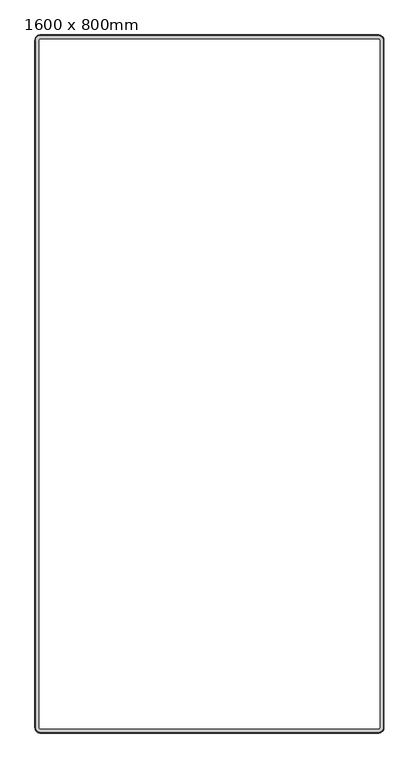
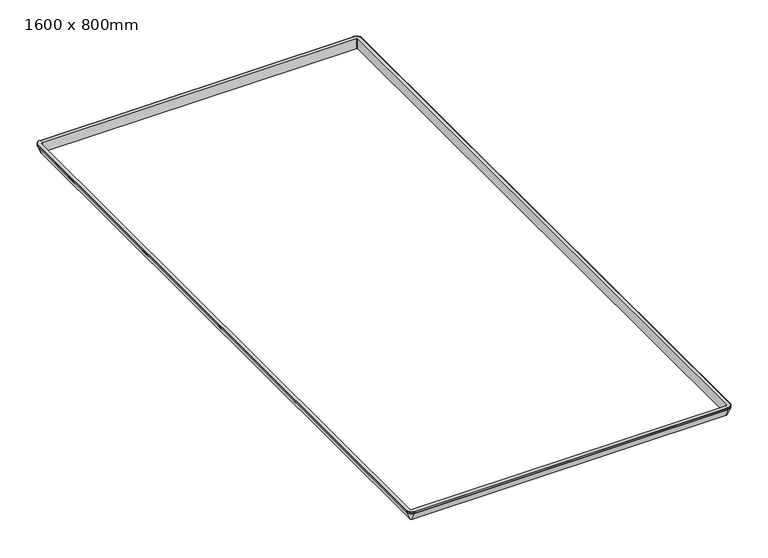
"""IFC4 building model written with IfcOpenShell, lengths in millimetres: furniture geometry, 1600 x 800mm."""

from ifc_helpers import new_model, si_unit, point, frame, origin, place, context, project, spatial, polyline, circle_curve, ellipse_curve, trimmed, source, transform, mapped, element, save
from ifc_brep_helpers import plane_surface, cylinder_surface, revolved_surface, advanced_brep


def furniture_1600_x_800mm_f86c4611(model_context):
    return source(origin(), model_context, "Body", "AdvancedBrep", [
        advanced_brep(
        [(-387.05, -790.1, 725.0), (-387.05, -790.1, 750.0), (387.05, -790.1, 750.0), (387.05, -790.1, 725.0), (-387.05, -799.8005175, 744.6740876), (-387.05, -791.2666667, 725.0), (387.05, -791.2666667, 725.0), (387.05, -799.8005175, 744.6740876), (-387.05, -800.1, 749.5), (-387.05, -800.1, 746.3785334), (387.05, -800.1, 746.3785334), (387.05, -800.1, 749.5), (-387.05, -799.6, 750.0), (387.05, -799.6, 750.0), (390.05, -787.1, 725.0), (390.05, -787.1, 750.0), (390.05, 787.1, 750.0), (390.05, 787.1, 725.0), (399.7505175, -787.1, 744.6740876), (391.2166667, -787.1, 725.0), (391.2166667, 787.1, 725.0), (399.7505175, 787.1, 744.6740876), (400.05, -787.1, 749.5), (400.05, -787.1, 746.3785334), (400.05, 787.1, 746.3785334), (400.05, 787.1, 749.5), (399.55, -787.1, 750.0), (399.55, 787.1, 750.0), (387.05, 790.1, 725.0), (387.05, 790.1, 750.0), (-387.05, 790.1, 750.0), (-387.05, 790.1, 725.0), (387.05, 799.8005175, 744.6740876), (387.05, 791.2666667, 725.0), (-387.05, 791.2666667, 725.0), (-387.05, 799.8005175, 744.6740876), (387.05, 800.1, 749.5), (387.05, 800.1, 746.3785334), (-387.05, 800.1, 746.3785334), (-387.05, 800.1, 749.5), (387.05, 799.6, 750.0), (-387.05, 799.6, 750.0), (-390.05, 787.1, 725.0), (-390.05, 787.1, 750.0), (-390.05, -787.1, 750.0), (-390.05, -787.1, 725.0), (-399.7505175, 787.1, 744.6740876), (-391.2166667, 787.1, 725.0), (-391.2166667, -787.1, 725.0), (-399.7505175, -787.1, 744.6740876), (-400.05, 787.1, 749.5), (-400.05, 787.1, 746.3785334), (-400.05, -787.1, 746.3785334), (-400.05, -787.1, 749.5), (-399.55, 787.1, 750.0), (-399.55, -787.1, 750.0)],
        [
            (0, 1),
            (1, 2),
            (2, 3),
            (3, 0),
            (4, 5),
            (5, 6),
            (6, 7),
            (7, 4),
            (8, 9),
            (9, 10),
            (10, 11),
            (11, 8),
            (12, 8, circle_curve(frame((-387.05, -799.6, 749.5), z_axis=(1.0, 0.0, 0.0), x_axis=(0.0, 1.0, 0.0)), 0.5)),
            (11, 13, circle_curve(frame((387.05, -799.6, 749.5), z_axis=(-1.0, 0.0, 0.0), x_axis=(0.0, 1.0, 0.0)), 0.5)),
            (13, 12),
            (14, 15),
            (15, 16),
            (16, 17),
            (17, 14),
            (18, 19),
            (19, 20),
            (20, 21),
            (21, 18),
            (22, 23),
            (23, 24),
            (24, 25),
            (25, 22),
            (26, 22, circle_curve(frame((399.55, -787.1, 749.5), z_axis=(0.0, 1.0, 0.0), x_axis=(-1.0, 0.0, 0.0)), 0.5)),
            (25, 27, circle_curve(frame((399.55, 787.1, 749.5), z_axis=(0.0, -1.0, 0.0), x_axis=(-1.0, 0.0, 0.0)), 0.5)),
            (27, 26),
            (28, 29),
            (29, 30),
            (30, 31),
            (31, 28),
            (32, 33),
            (33, 34),
            (34, 35),
            (35, 32),
            (36, 37),
            (37, 38),
            (38, 39),
            (39, 36),
            (40, 36, circle_curve(frame((387.05, 799.6, 749.5), z_axis=(-1.0, 0.0, 0.0), x_axis=(0.0, -1.0, 0.0)), 0.5)),
            (39, 41, circle_curve(frame((-387.05, 799.6, 749.5), z_axis=(1.0, 0.0, 0.0), x_axis=(0.0, -1.0, 0.0)), 0.5)),
            (41, 40),
            (42, 43),
            (43, 44),
            (44, 45),
            (45, 42),
            (46, 47),
            (47, 48),
            (48, 49),
            (49, 46),
            (50, 51),
            (51, 52),
            (52, 53),
            (53, 50),
            (54, 50, circle_curve(frame((-399.55, 787.1, 749.5), z_axis=(0.0, -1.0, 0.0), x_axis=(1.0, 0.0, 0.0)), 0.5)),
            (53, 55, circle_curve(frame((-399.55, -787.1, 749.5), z_axis=(0.0, 1.0, 0.0), x_axis=(1.0, 0.0, 0.0)), 0.5)),
            (55, 54),
            (9, 4, circle_curve(frame((-387.05, -795.1, 746.3785334), z_axis=(1.0, 0.0, 0.0), x_axis=(0.0, 1.0, 0.0)), 5.0)),
            (7, 10, circle_curve(frame((387.05, -795.1, 746.3785334), z_axis=(-1.0, 0.0, 0.0), x_axis=(0.0, 1.0, 0.0)), 5.0)),
            (23, 18, circle_curve(frame((395.05, -787.1, 746.3785334), z_axis=(0.0, 1.0, 0.0), x_axis=(-1.0, 0.0, 0.0)), 5.0)),
            (21, 24, circle_curve(frame((395.05, 787.1, 746.3785334), z_axis=(0.0, -1.0, 0.0), x_axis=(-1.0, 0.0, 0.0)), 5.0)),
            (37, 32, circle_curve(frame((387.05, 795.1, 746.3785334), z_axis=(-1.0, 0.0, 0.0), x_axis=(0.0, -1.0, 0.0)), 5.0)),
            (35, 38, circle_curve(frame((-387.05, 795.1, 746.3785334), z_axis=(1.0, 0.0, 0.0), x_axis=(0.0, -1.0, 0.0)), 5.0)),
            (51, 46, circle_curve(frame((-395.05, 787.1, 746.3785334), z_axis=(0.0, -1.0, 0.0), x_axis=(1.0, 0.0, 0.0)), 5.0)),
            (49, 52, circle_curve(frame((-395.05, -787.1, 746.3785334), z_axis=(0.0, 1.0, 0.0), x_axis=(1.0, 0.0, 0.0)), 5.0)),
            (0, 45, circle_curve(frame((-387.05, -787.1, 725.0), z_axis=(0.0, 0.0, -1.0), x_axis=(-1.0, 0.0, 0.0)), 3.0)),
            (44, 1, circle_curve(frame((-387.05, -787.1, 750.0), z_axis=(0.0, 0.0, 1.0), x_axis=(-1.0, 0.0, 0.0)), 3.0)),
            (4, 49, circle_curve(frame((-387.05, -787.1, 744.6740876), z_axis=(0.0, 0.0, -1.0), x_axis=(-1.0, 0.0, 0.0)), 12.7005175)),
            (48, 5, circle_curve(frame((-387.05, -787.1, 725.0), z_axis=(0.0, 0.0, 1.0), x_axis=(-1.0, 0.0, 0.0)), 4.1666667)),
            (9, 52, circle_curve(frame((-387.05, -787.1, 746.3785334), z_axis=(0.0, 0.0, -1.0), x_axis=(-1.0, 0.0, 0.0)), 13.0)),
            (8, 53, circle_curve(frame((-387.05, -787.1, 749.5), z_axis=(0.0, 0.0, -1.0), x_axis=(-1.0, 0.0, 0.0)), 13.0)),
            (12, 55, circle_curve(frame((-387.05, -787.1, 750.0), z_axis=(0.0, 0.0, -1.0), x_axis=(-1.0, 0.0, 0.0)), 12.5)),
            (14, 3, circle_curve(frame((387.05, -787.1, 725.0), z_axis=(0.0, 0.0, -1.0), x_axis=(0.0, -1.0, 0.0)), 3.0)),
            (2, 15, circle_curve(frame((387.05, -787.1, 750.0), z_axis=(0.0, 0.0, 1.0), x_axis=(0.0, -1.0, 0.0)), 3.0)),
            (18, 7, circle_curve(frame((387.05, -787.1, 744.6740876), z_axis=(0.0, 0.0, -1.0), x_axis=(0.0, -1.0, 0.0)), 12.7005175)),
            (6, 19, circle_curve(frame((387.05, -787.1, 725.0), z_axis=(0.0, 0.0, 1.0), x_axis=(0.0, -1.0, 0.0)), 4.1666667)),
            (23, 10, circle_curve(frame((387.05, -787.1, 746.3785334), z_axis=(0.0, 0.0, -1.0), x_axis=(0.0, -1.0, 0.0)), 13.0)),
            (22, 11, circle_curve(frame((387.05, -787.1, 749.5), z_axis=(0.0, 0.0, -1.0), x_axis=(0.0, -1.0, 0.0)), 13.0)),
            (26, 13, circle_curve(frame((387.05, -787.1, 750.0), z_axis=(0.0, 0.0, -1.0), x_axis=(0.0, -1.0, 0.0)), 12.5)),
            (28, 17, circle_curve(frame((387.05, 787.1, 725.0), z_axis=(0.0, 0.0, -1.0), x_axis=(1.0, 0.0, 0.0)), 3.0)),
            (16, 29, circle_curve(frame((387.05, 787.1, 750.0), z_axis=(0.0, 0.0, 1.0), x_axis=(1.0, 0.0, 0.0)), 3.0)),
            (32, 21, circle_curve(frame((387.05, 787.1, 744.6740876), z_axis=(0.0, 0.0, -1.0), x_axis=(1.0, 0.0, 0.0)), 12.7005175)),
            (20, 33, circle_curve(frame((387.05, 787.1, 725.0), z_axis=(0.0, 0.0, 1.0), x_axis=(1.0, 0.0, 0.0)), 4.1666667)),
            (37, 24, circle_curve(frame((387.05, 787.1, 746.3785334), z_axis=(0.0, 0.0, -1.0), x_axis=(1.0, 0.0, 0.0)), 13.0)),
            (36, 25, circle_curve(frame((387.05, 787.1, 749.5), z_axis=(0.0, 0.0, -1.0), x_axis=(1.0, 0.0, 0.0)), 13.0)),
            (40, 27, circle_curve(frame((387.05, 787.1, 750.0), z_axis=(0.0, 0.0, -1.0), x_axis=(1.0, 0.0, 0.0)), 12.5)),
            (41, 54, circle_curve(frame((-387.05, 787.1, 750.0), z_axis=(0.0, 0.0, 1.0), x_axis=(0.0, 1.0, 0.0)), 12.5)),
            (43, 30, circle_curve(frame((-387.05, 787.1, 750.0), z_axis=(0.0, 0.0, -1.0), x_axis=(0.0, 1.0, 0.0)), 3.0)),
            (42, 31, circle_curve(frame((-387.05, 787.1, 725.0), z_axis=(0.0, 0.0, -1.0), x_axis=(0.0, 1.0, 0.0)), 3.0)),
            (47, 34, circle_curve(frame((-387.05, 787.1, 725.0), z_axis=(0.0, 0.0, -1.0), x_axis=(0.0, 1.0, 0.0)), 4.1666667)),
            (46, 35, circle_curve(frame((-387.05, 787.1, 744.6740876), z_axis=(0.0, 0.0, -1.0), x_axis=(0.0, 1.0, 0.0)), 12.7005175)),
            (51, 38, circle_curve(frame((-387.05, 787.1, 746.3785334), z_axis=(0.0, 0.0, -1.0), x_axis=(0.0, 1.0, 0.0)), 13.0)),
            (50, 39, circle_curve(frame((-387.05, 787.1, 749.5), z_axis=(0.0, 0.0, -1.0), x_axis=(0.0, 1.0, 0.0)), 13.0)),
        ],
        [
            plane_surface(frame((-387.05, -790.1, 750.0), z_axis=(0.0, 1.0, 0.0), x_axis=(1.0, 0.0, 0.0))),
            plane_surface(frame((-387.05, -791.2666667, 725.0), z_axis=(0.0, -0.9174124462943551, -0.3979376878158276), x_axis=(1.0, 0.0, 0.0))),
            plane_surface(frame((-387.05, -800.1, 746.3785334), z_axis=(0.0, -1.0, 0.0), x_axis=(1.0, 0.0, 0.0))),
            cylinder_surface(frame((-387.05, -799.6, 749.5), z_axis=(-1.0, 0.0, 0.0), x_axis=(0.0, 1.0, 0.0)), 0.5),
            plane_surface(frame((390.05, -787.1, 750.0), z_axis=(-1.0, 0.0, 0.0), x_axis=(0.0, 1.0, 0.0))),
            plane_surface(frame((391.2166667, -787.1, 725.0), z_axis=(0.9174124462943538, 0.0, -0.39793768781583055), x_axis=(0.0, 1.0, 0.0))),
            plane_surface(frame((400.05, -787.1, 746.3785334), z_axis=(1.0, 0.0, 0.0), x_axis=(0.0, 1.0, 0.0))),
            cylinder_surface(frame((399.55, -787.1, 749.5), z_axis=(0.0, -1.0, 0.0), x_axis=(-1.0, 0.0, 0.0)), 0.5),
            plane_surface(frame((387.05, 790.1, 750.0), z_axis=(0.0, -1.0, 0.0), x_axis=(-1.0, 0.0, 0.0))),
            plane_surface(frame((387.05, 791.2666667, 725.0), z_axis=(0.0, 0.9174124462943551, -0.3979376878158276), x_axis=(-1.0, 0.0, 0.0))),
            plane_surface(frame((387.05, 800.1, 746.3785334), z_axis=(0.0, 1.0, 0.0), x_axis=(-1.0, 0.0, 0.0))),
            cylinder_surface(frame((387.05, 799.6, 749.5), z_axis=(1.0, 0.0, 0.0), x_axis=(0.0, -1.0, 0.0)), 0.5),
            plane_surface(frame((-390.05, 787.1, 750.0), z_axis=(1.0, 0.0, 0.0), x_axis=(0.0, -1.0, 0.0))),
            plane_surface(frame((-391.2166667, 787.1, 725.0), z_axis=(-0.9174124462943565, 0.0, -0.39793768781582467), x_axis=(0.0, -1.0, 0.0))),
            plane_surface(frame((-400.05, 787.1, 746.3785334), z_axis=(-1.0, 0.0, 0.0), x_axis=(0.0, -1.0, 0.0))),
            cylinder_surface(frame((-399.55, 787.1, 749.5), z_axis=(0.0, 1.0, 0.0), x_axis=(1.0, 0.0, 0.0)), 0.5),
            cylinder_surface(frame((-387.05, -795.1, 746.3785334), z_axis=(-1.0, 0.0, 0.0), x_axis=(0.0, 1.0, 0.0)), 5.0),
            cylinder_surface(frame((395.05, -787.1, 746.3785334), z_axis=(0.0, -1.0, 0.0), x_axis=(-1.0, 0.0, 0.0)), 5.0),
            cylinder_surface(frame((387.05, 795.1, 746.3785334), z_axis=(1.0, 0.0, 0.0), x_axis=(0.0, -1.0, 0.0)), 5.0),
            cylinder_surface(frame((-395.05, 787.1, 746.3785334), z_axis=(0.0, 1.0, 0.0), x_axis=(1.0, 0.0, 0.0)), 5.0),
            revolved_surface(polyline([(-390.05, -787.1, 750.0), (-390.05, -787.1, 725.0)]), (-387.05, -787.1, 725.0), (0.0, 0.0, 1.0)),
            revolved_surface(polyline([(-391.2166667, -787.1, 725.0), (-399.7505175, -787.1, 744.6740876)]), (-387.05, -787.1, 725.0), (0.0, 0.0, 1.0)),
            revolved_surface(trimmed(ellipse_curve(frame((-395.05, -787.1, 746.3785334), z_axis=(0.0, 1.0, 0.0), x_axis=(1.0, 0.0, 0.0)), 5.0, 5.0), [point((-399.7505175, -787.1, 744.6740876))], [point((-400.05, -787.1, 746.3785334))], True, "CARTESIAN"), (-387.05, -787.1, 725.0), (0.0, 0.0, 1.0)),
            cylinder_surface(frame((-387.05, -787.1, 725.0), z_axis=(0.0, 0.0, 1.0), x_axis=(-1.0, 0.0, 0.0)), 13.0),
            revolved_surface(trimmed(ellipse_curve(frame((-399.55, -787.1, 749.5), z_axis=(0.0, 1.0, 0.0), x_axis=(1.0, 0.0, 0.0)), 0.5, 0.5), [point((-400.05, -787.1, 749.5))], [point((-399.55, -787.1, 750.0))], True, "CARTESIAN"), (-387.05, -787.1, 725.0), (0.0, 0.0, 1.0)),
            revolved_surface(polyline([(387.05, -790.1, 750.0), (387.05, -790.1, 725.0)]), (387.05, -787.1, 725.0), (0.0, 0.0, 1.0)),
            revolved_surface(polyline([(387.05, -791.2666667, 725.0), (387.05, -799.8005175, 744.6740876)]), (387.05, -787.1, 725.0), (0.0, 0.0, 1.0)),
            revolved_surface(trimmed(ellipse_curve(frame((387.05, -795.1, 746.3785334), z_axis=(-1.0, 0.0, 0.0), x_axis=(0.0, 1.0, 0.0)), 5.0, 5.0), [point((387.05, -799.8005175, 744.6740876))], [point((387.05, -800.1, 746.3785334))], True, "CARTESIAN"), (387.05, -787.1, 725.0), (0.0, 0.0, 1.0)),
            cylinder_surface(frame((387.05, -787.1, 725.0), z_axis=(0.0, 0.0, 1.0), x_axis=(0.0, -1.0, 0.0)), 13.0),
            revolved_surface(trimmed(ellipse_curve(frame((387.05, -799.6, 749.5), z_axis=(-1.0, 0.0, 0.0), x_axis=(0.0, 1.0, 0.0)), 0.5, 0.5), [point((387.05, -800.1, 749.5))], [point((387.05, -799.6, 750.0))], True, "CARTESIAN"), (387.05, -787.1, 725.0), (0.0, 0.0, 1.0)),
            revolved_surface(polyline([(390.05, 787.1, 750.0), (390.05, 787.1, 725.0)]), (387.05, 787.1, 725.0), (0.0, 0.0, 1.0)),
            revolved_surface(polyline([(391.2166667, 787.1, 725.0), (399.7505175, 787.1, 744.6740876)]), (387.05, 787.1, 725.0), (0.0, 0.0, 1.0)),
            revolved_surface(trimmed(ellipse_curve(frame((395.05, 787.1, 746.3785334), z_axis=(0.0, -1.0, 0.0), x_axis=(-1.0, 0.0, 0.0)), 5.0, 5.0), [point((399.7505175, 787.1, 744.6740876))], [point((400.05, 787.1, 746.3785334))], True, "CARTESIAN"), (387.05, 787.1, 725.0), (0.0, 0.0, 1.0)),
            cylinder_surface(frame((387.05, 787.1, 725.0), z_axis=(0.0, 0.0, 1.0), x_axis=(1.0, 0.0, 0.0)), 13.0),
            revolved_surface(trimmed(ellipse_curve(frame((399.55, 787.1, 749.5), z_axis=(0.0, -1.0, 0.0), x_axis=(-1.0, 0.0, 0.0)), 0.5, 0.5), [point((400.05, 787.1, 749.5))], [point((399.55, 787.1, 750.0))], True, "CARTESIAN"), (387.05, 787.1, 725.0), (0.0, 0.0, 1.0)),
            plane_surface(frame((-387.05, 787.1, 750.0), z_axis=(0.0, 0.0, 1.0), x_axis=(0.0, 1.0, 0.0))),
            revolved_surface(polyline([(-387.05, 790.1, 750.0), (-387.05, 790.1, 725.0)]), (-387.05, 787.1, 725.0), (0.0, 0.0, 1.0)),
            plane_surface(frame((-387.05, 787.1, 725.0), z_axis=(0.0, 0.0, -1.0), x_axis=(0.0, 1.0, 0.0))),
            revolved_surface(polyline([(-387.05, 791.2666667, 725.0), (-387.05, 799.8005175, 744.6740876)]), (-387.05, 787.1, 725.0), (0.0, 0.0, 1.0)),
            revolved_surface(trimmed(ellipse_curve(frame((-387.05, 795.1, 746.3785334), z_axis=(1.0, 0.0, 0.0), x_axis=(0.0, -1.0, 0.0)), 5.0, 5.0), [point((-387.05, 799.8005175, 744.6740876))], [point((-387.05, 800.1, 746.3785334))], True, "CARTESIAN"), (-387.05, 787.1, 725.0), (0.0, 0.0, 1.0)),
            cylinder_surface(frame((-387.05, 787.1, 725.0), z_axis=(0.0, 0.0, 1.0), x_axis=(0.0, 1.0, 0.0)), 13.0),
            revolved_surface(trimmed(ellipse_curve(frame((-387.05, 799.6, 749.5), z_axis=(1.0, 0.0, 0.0), x_axis=(0.0, -1.0, 0.0)), 0.5, 0.5), [point((-387.05, 800.1, 749.5))], [point((-387.05, 799.6, 750.0))], True, "CARTESIAN"), (-387.05, 787.1, 725.0), (0.0, 0.0, 1.0)),
        ],
        [
            (0, [[1, 2, 3, 4]]),
            (1, [[5, 6, 7, 8]]),
            (2, [[9, 10, 11, 12]]),
            (3, [[13, -12, 14, 15]]),
            (4, [[16, 17, 18, 19]]),
            (5, [[20, 21, 22, 23]]),
            (6, [[24, 25, 26, 27]]),
            (7, [[28, -27, 29, 30]]),
            (8, [[31, 32, 33, 34]]),
            (9, [[35, 36, 37, 38]]),
            (10, [[39, 40, 41, 42]]),
            (11, [[43, -42, 44, 45]]),
            (12, [[46, 47, 48, 49]]),
            (13, [[50, 51, 52, 53]]),
            (14, [[54, 55, 56, 57]]),
            (15, [[58, -57, 59, 60]]),
            (16, [[61, -8, 62, -10]]),
            (17, [[63, -23, 64, -25]]),
            (18, [[65, -38, 66, -40]]),
            (19, [[67, -53, 68, -55]]),
            (20, [[69, -48, 70, -1]]),
            (21, [[71, -52, 72, -5]]),
            (22, [[73, -68, -71, -61]]),
            (23, [[74, -56, -73, -9]]),
            (24, [[75, -59, -74, -13]]),
            (25, [[76, -3, 77, -16]]),
            (26, [[78, -7, 79, -20]]),
            (27, [[80, -62, -78, -63]]),
            (28, [[81, -11, -80, -24]]),
            (29, [[82, -14, -81, -28]]),
            (30, [[83, -18, 84, -31]]),
            (31, [[85, -22, 86, -35]]),
            (32, [[87, -64, -85, -65]]),
            (33, [[88, -26, -87, -39]]),
            (34, [[89, -29, -88, -43]]),
            (35, [[-30, -89, -45, 90, -60, -75, -15, -82], [91, -32, -84, -17, -77, -2, -70, -47]]),
            (36, [[92, -33, -91, -46]]),
            (37, [[93, -36, -86, -21, -79, -6, -72, -51], [-19, -83, -34, -92, -49, -69, -4, -76]]),
            (38, [[94, -37, -93, -50]]),
            (39, [[95, -66, -94, -67]]),
            (40, [[96, -41, -95, -54]]),
            (41, [[-90, -44, -96, -58]]),
        ],
    ),
    ])


if __name__ == "__main__":
    model = new_model("IFC4")
    model_context = context("Model", 3, world=origin())
    ifc_project = project(units=[si_unit("LENGTHUNIT", "METRE", prefix="MILLI")], contexts=[model_context])
    site = spatial("IfcSite", under=ifc_project)
    building = spatial("IfcBuilding", under=site)
    placement = place(None, origin())
    furniture_1600_x_800mm_shape = furniture_1600_x_800mm_f86c4611(model_context)
    element("IfcFurniture", 1, ObjectType="1600 x 800mm", at=placement, inside=building, context=model_context, shape_type="MappedRepresentation", body=[
        mapped(furniture_1600_x_800mm_shape, transform((0.0, 0.0, 0.0), x_axis=(1.0, 0.0, 0.0), y_axis=(0.0, 1.0, 0.0), z_axis=(0.0, 0.0, 1.0))),
    ])
    save(model, "model.ifc")
